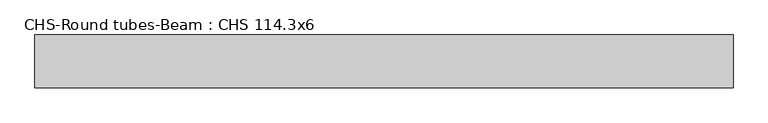
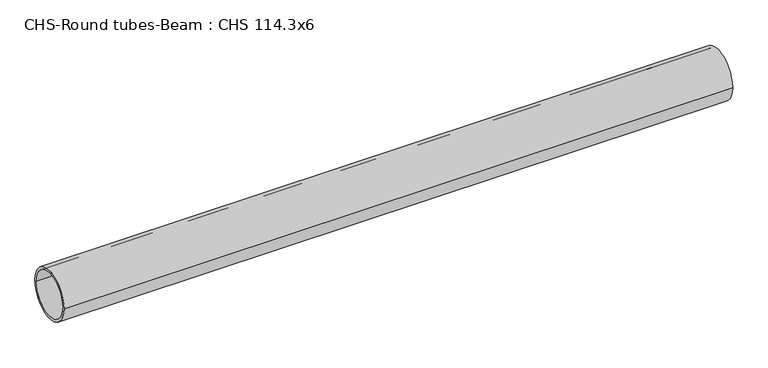
"""IFC4 building model written with IfcOpenShell, lengths in millimetres: beam geometry, CHS-Round tubes-Beam : CHS 114.3x6."""

from ifc_helpers import new_model, si_unit, point, frame, origin, origin_2d, place, context, project, spatial, circle_curve, trimmed, segment, composite_curve, outline, extrude, source, transform, mapped, element, save


def chs_round_tubes_beam_chs_114_3x6_3aefa536(model_context):
    return source(origin(), model_context, "Body", "SweptSolid", [
        extrude(outline(composite_curve([segment(trimmed(circle_curve(origin_2d(), 57.15), [point((57.15, 0.0))], [point((-57.15, 0.0))], False, "CARTESIAN"), True, "CONTINUOUS"), segment(trimmed(circle_curve(origin_2d(), 57.15), [point((-57.15, 0.0))], [point((57.15, 0.0))], False, "CARTESIAN"), True, "CONTINUOUS")], self_intersect=False), holes=[composite_curve([segment(trimmed(circle_curve(origin_2d(), 51.15), [point((51.15, 0.0))], [point((-51.15, 0.0))], True, "CARTESIAN"), True, "CONTINUOUS"), segment(trimmed(circle_curve(origin_2d(), 51.15), [point((-51.15, 0.0))], [point((51.15, 0.0))], True, "CARTESIAN"), True, "CONTINUOUS")], self_intersect=False)]), frame((-735.5903339, 0.0, 0.0), z_axis=(1.0, 0.0, 0.0), x_axis=(0.0, 1.0, 0.0)), (0.0, 0.0, 1.0), 1513.665408),
    ])


if __name__ == "__main__":
    model = new_model("IFC4")
    model_context = context("Model", 3, world=origin())
    ifc_project = project(units=[si_unit("LENGTHUNIT", "METRE", prefix="MILLI")], contexts=[model_context])
    site = spatial("IfcSite", under=ifc_project)
    building = spatial("IfcBuilding", under=site)
    placement = place(None, origin())
    chs_round_tubes_beam_chs_114_3x6_shape = chs_round_tubes_beam_chs_114_3x6_3aefa536(model_context)
    element("IfcBeam", 1, ObjectType="CHS-Round tubes-Beam : CHS 114.3x6", at=placement, inside=building, context=model_context, shape_type="MappedRepresentation", body=[
        mapped(chs_round_tubes_beam_chs_114_3x6_shape, transform((0.0, 0.0, 0.0), x_axis=(1.0, 0.0, 0.0), y_axis=(0.0, 1.0, 0.0), z_axis=(0.0, 0.0, 1.0))),
    ])
    save(model, "model.ifc")
